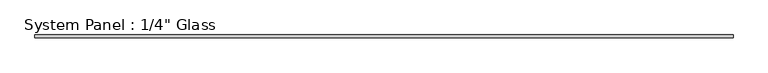
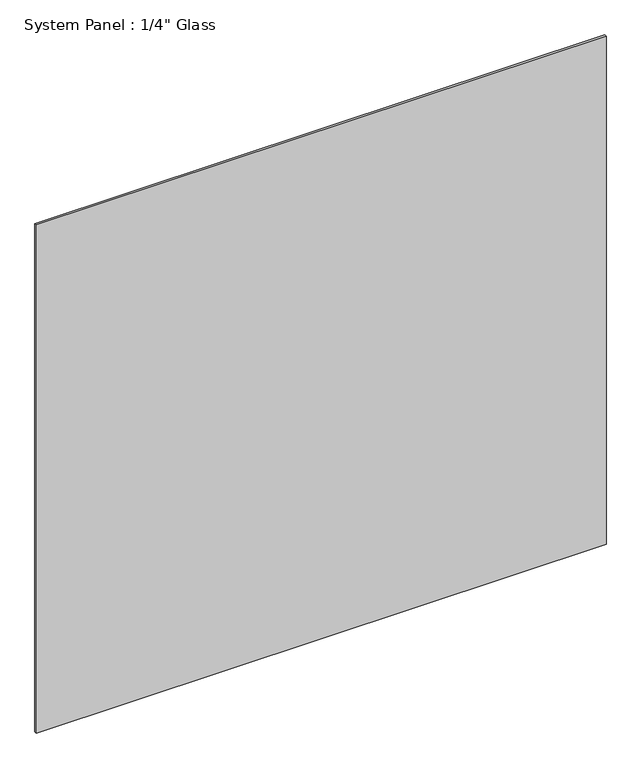
"""IFC4 building model written with IfcOpenShell, lengths in millimetres: plate geometry."""

from ifc_helpers import new_model, si_unit, origin, origin_with_axes, place, context, project, spatial, polyline, outline, extrude, source, transform, mapped, element, save


def plate_b47c22cd(model_context):
    return source(origin(), model_context, "Body", "SweptSolid", [
        extrude(outline(polyline([(746.1258852, -3.175), (-746.1258852, -3.175), (-746.1258852, 3.175), (746.1258852, 3.175), (746.1258852, -3.175)])), origin_with_axes(), (0.0, 0.0, 1.0), 1407.0511731),
    ])


if __name__ == "__main__":
    model = new_model("IFC4")
    model_context = context("Model", 3, world=origin())
    ifc_project = project(units=[si_unit("LENGTHUNIT", "METRE", prefix="MILLI")], contexts=[model_context])
    site = spatial("IfcSite", under=ifc_project)
    building = spatial("IfcBuilding", under=site)
    placement = place(None, origin())
    plate_shape = plate_b47c22cd(model_context)
    element("IfcPlate", 1, ObjectType="System Panel : 1/4\" Glass", at=placement, inside=building, context=model_context, shape_type="MappedRepresentation", body=[
        mapped(plate_shape, transform((0.0, 0.0, 0.0), x_axis=(1.0, 0.0, 0.0), y_axis=(0.0, 1.0, 0.0), z_axis=(0.0, 0.0, 1.0))),
    ])
    save(model, "model.ifc")
